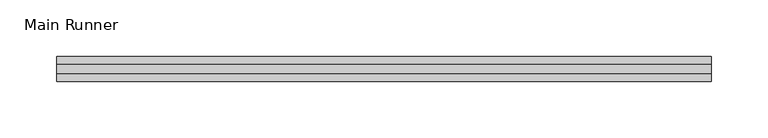
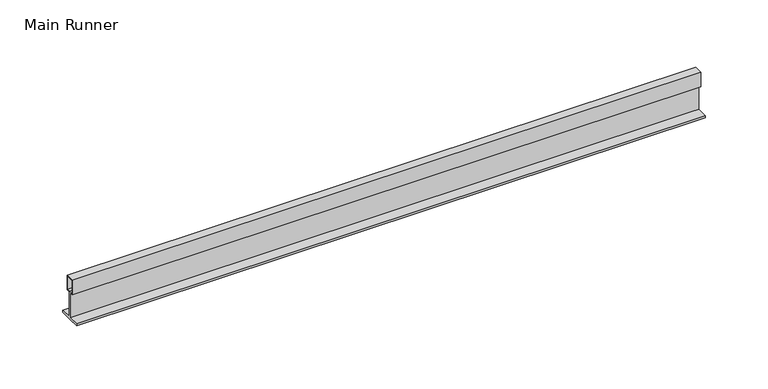
"""IFC4 building model written with IfcOpenShell, lengths in millimetres: beam geometry, Main Runner."""

from ifc_helpers import new_model, si_unit, frame, origin, place, context, project, spatial, polyline, outline, extrude, source, transform, mapped, element, save


def main_runner_02398435(model_context):
    return source(origin(), model_context, "Body", "SweptSolid", [
        extrude(outline(polyline([(11.0, -2.0), (0.0, -2.0), (-11.0, -2.0), (-11.0, 0.0), (-1.0, 0.0), (-1.0, 24.0), (-4.0, 24.0), (-4.0, 38.1243468), (4.0, 38.1243468), (4.0, 24.0), (1.0, 24.0), (1.0, 0.0), (11.0, 0.0), (11.0, -2.0)]), holes=[polyline([(3.0, 37.1243468), (-3.0169966, 37.1243468), (-3.0169966, 25.0), (0.0, 25.0), (3.0, 25.0), (3.0, 37.1243468)])]), frame((-311.8030533, 0.0, 0.0), z_axis=(1.0, 0.0, 0.0), x_axis=(0.0, 1.0, 0.0)), (0.0, 0.0, 1.0), 578.0),
    ])


if __name__ == "__main__":
    model = new_model("IFC4")
    model_context = context("Model", 3, world=origin())
    ifc_project = project(units=[si_unit("LENGTHUNIT", "METRE", prefix="MILLI")], contexts=[model_context])
    site = spatial("IfcSite", under=ifc_project)
    building = spatial("IfcBuilding", under=site)
    placement = place(None, origin())
    main_runner_shape = main_runner_02398435(model_context)
    element("IfcBeam", 1, ObjectType="Main Runner", at=placement, inside=building, context=model_context, shape_type="MappedRepresentation", body=[
        mapped(main_runner_shape, transform((0.0, 0.0, 0.0), x_axis=(1.0, 0.0, 0.0), y_axis=(0.0, 1.0, 0.0), z_axis=(0.0, 0.0, 1.0))),
    ])
    save(model, "model.ifc")
